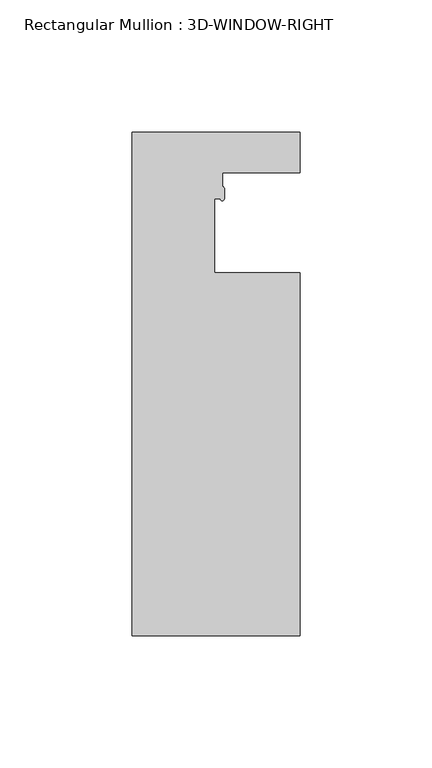
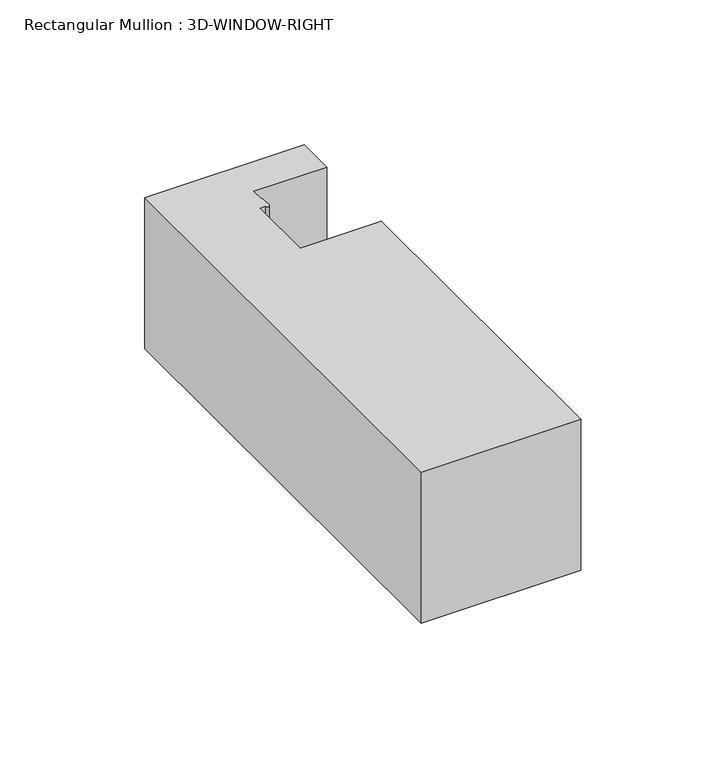
"""IFC4 building model written with IfcOpenShell, lengths in millimetres: member geometry, Rectangular Mullion : 3D-WINDOW-RIGHT."""

import ifcopenshell
import ifcopenshell.guid

model = None  # the IFC model being written
_history = None  # IfcOwnerHistory: only IFC2X3 demands one
_inside = {}  # id of a spatial element -> (the spatial element, [elements in it])
_under = {}  # id of a project, library or spatial element -> (it, [spatial elements below it])
_declared = {}  # id of a project -> (the project, [libraries it declares])
_typed = {}  # id of a type object -> (the type object, [elements of that type])
_made_of = {}  # id of a material, layer set ... -> (it, [elements and type objects made of it])


def new_model(schema):
    """Start an empty IFC model of exactly this schema.

    Asked for "IFC4X3", IfcOpenShell would pick the latest addendum, in which some entities
    have other attributes; the version numbers below select the first issue.
    IFC2X3 requires an IfcOwnerHistory on every rooted entity: one is made here for all.
    """
    global model, _history
    if schema == "IFC4X3":
        model = ifcopenshell.file(schema_version=(4, 3, 0, 0))
    else:
        model = ifcopenshell.file(schema=schema)
    _inside.clear()
    _under.clear()
    _declared.clear()
    _typed.clear()
    _made_of.clear()
    _history = None
    if model.schema == "IFC2X3":
        org = make("IfcOrganization", Name="unknown")
        user = make(
            "IfcPersonAndOrganization",
            ThePerson=make("IfcPerson", FamilyName="unknown"),
            TheOrganization=org,
        )
        app = make(
            "IfcApplication",
            ApplicationDeveloper=org,
            Version="unknown",
            ApplicationFullName="unknown",
            ApplicationIdentifier="unknown",
        )
        _history = make(
            "IfcOwnerHistory",
            OwningUser=user,
            OwningApplication=app,
            ChangeAction="ADDED",
            CreationDate=0,
        )
    return model


def make(cls, **values):
    """One entity of the class cls with the attributes given. An attribute that is None is left unset."""
    return model.create_entity(
        cls, **{name: value for name, value in values.items() if value is not None}
    )


def rooted(cls, **values):
    """An entity with a GlobalId (a new one), such as an element, a storey or a relation."""
    return make(cls, GlobalId=ifcopenshell.guid.new(), OwnerHistory=_history, **values)


def si_unit(unit_type, name, prefix=None):
    """IfcSIUnit, for example si_unit("LENGTHUNIT", "METRE", prefix="MILLI")."""
    return make("IfcSIUnit", UnitType=unit_type, Prefix=prefix, Name=name)


def assignment(units):
    """IfcUnitAssignment: the units of a project."""
    return None if units is None else make("IfcUnitAssignment", Units=units)


def point(xyz):
    """IfcCartesianPoint."""
    return None if xyz is None else make("IfcCartesianPoint", Coordinates=xyz)


def direction(xyz):
    """IfcDirection."""
    return None if xyz is None else make("IfcDirection", DirectionRatios=xyz)


def frame(location, z_axis=None, x_axis=None):
    """IfcAxis2Placement3D, a coordinate frame: its origin and axes. An axis left out is left unset."""
    return make(
        "IfcAxis2Placement3D",
        Location=point(location),
        Axis=direction(z_axis),
        RefDirection=direction(x_axis),
    )


def frame_2d(location, x_axis=None):
    """IfcAxis2Placement2D, a coordinate frame in the plane: its origin and x axis."""
    return make(
        "IfcAxis2Placement2D", Location=point(location), RefDirection=direction(x_axis)
    )


def origin():
    """The frame at (0, 0, 0) with its axes left unset."""
    return frame((0.0, 0.0, 0.0))


def place(relative_to, where):
    """IfcLocalPlacement: puts the frame where relative to a parent placement (None: the world)."""
    return make(
        "IfcLocalPlacement", PlacementRelTo=relative_to, RelativePlacement=where
    )


def context(
    kind, dimensions, precision=None, world=None, true_north=None, identifier=None
):
    """IfcGeometricRepresentationContext, for example the 3D "Model" context."""
    return make(
        "IfcGeometricRepresentationContext",
        ContextIdentifier=identifier,
        ContextType=kind,
        CoordinateSpaceDimension=dimensions,
        Precision=precision,
        WorldCoordinateSystem=world,
        TrueNorth=true_north,
    )


def project(units=None, contexts=None):
    """IfcProject with its units and contexts."""
    return rooted(
        "IfcProject",
        Name="project",
        RepresentationContexts=contexts,
        UnitsInContext=assignment(units),
    )


def spatial(cls, under=None, at=None, **own):
    """A site, building, storey or space (cls), placed at a placement, below another one or the project."""
    s = rooted(cls, ObjectPlacement=at, **own)
    if under is not None:
        _under.setdefault(under.id(), (under, []))[1].append(s)
    return s


def polyline(points):
    """IfcPolyline through the points."""
    return make("IfcPolyline", Points=[point(p) for p in points])


def circle_curve(where, radius):
    """IfcCircle in the frame where."""
    return make("IfcCircle", Position=where, Radius=radius)


def trimmed(basis, trim1, trim2, sense, master):
    """IfcTrimmedCurve: the piece of a basis curve between two trims."""
    return make(
        "IfcTrimmedCurve",
        BasisCurve=basis,
        Trim1=trim1,
        Trim2=trim2,
        SenseAgreement=sense,
        MasterRepresentation=master,
    )


def segment(curve, same_sense, transition):
    """IfcCompositeCurveSegment."""
    return make(
        "IfcCompositeCurveSegment",
        Transition=transition,
        SameSense=same_sense,
        ParentCurve=curve,
    )


def composite_curve(segments, self_intersect=None):
    """IfcCompositeCurve: segments joined end to end."""
    return make("IfcCompositeCurve", Segments=segments, SelfIntersect=self_intersect)


def outline(outer, holes=None, kind="AREA"):
    """IfcArbitraryClosedProfileDef: a profile drawn as a closed curve; with holes, ...WithVoids."""
    if holes is None:
        return make("IfcArbitraryClosedProfileDef", ProfileType=kind, OuterCurve=outer)
    return make(
        "IfcArbitraryProfileDefWithVoids",
        ProfileType=kind,
        OuterCurve=outer,
        InnerCurves=holes,
    )


def extrude(swept, where, along, depth):
    """IfcExtrudedAreaSolid: the profile swept, set in the frame where, extruded along a direction by depth."""
    return make(
        "IfcExtrudedAreaSolid",
        SweptArea=swept,
        Position=where,
        ExtrudedDirection=direction(along),
        Depth=depth,
    )


def shape(context_of_items, identifier, shape_type, items):
    """IfcShapeRepresentation: the items that make up one representation, for example the "Body"."""
    return make(
        "IfcShapeRepresentation",
        ContextOfItems=context_of_items,
        RepresentationIdentifier=identifier,
        RepresentationType=shape_type,
        Items=items,
    )


def source(mapping_origin, context_of_items, identifier, shape_type, items):
    """IfcRepresentationMap: a shape defined once, which mapped items show again and again."""
    return make(
        "IfcRepresentationMap",
        MappingOrigin=mapping_origin,
        MappedRepresentation=shape(context_of_items, identifier, shape_type, items),
    )


def transform(
    local_origin,
    x_axis=None,
    y_axis=None,
    z_axis=None,
    scale=None,
    scale2=None,
    scale3=None,
    uniform=True,
):
    """IfcCartesianTransformationOperator3D, or its non-uniform kind. x_axis, y_axis, z_axis: its Axis1, 2, 3."""
    if uniform:
        return make(
            "IfcCartesianTransformationOperator3D",
            Axis1=direction(x_axis),
            Axis2=direction(y_axis),
            LocalOrigin=point(local_origin),
            Scale=scale,
            Axis3=direction(z_axis),
        )
    return make(
        "IfcCartesianTransformationOperator3DnonUniform",
        Axis1=direction(x_axis),
        Axis2=direction(y_axis),
        LocalOrigin=point(local_origin),
        Scale=scale,
        Axis3=direction(z_axis),
        Scale2=scale2,
        Scale3=scale3,
    )


def mapped(mapping_source, mapping_target):
    """IfcMappedItem: shows the shape of a source again, moved by a transform."""
    return make(
        "IfcMappedItem", MappingSource=mapping_source, MappingTarget=mapping_target
    )


def made_of(thing, what):
    """Note that an element or type object is made of a material, layer set ...; save() writes the relation."""
    if what is not None:
        _made_of.setdefault(what.id(), (what, []))[1].append(thing)
    return thing


def element(
    cls,
    number,
    at=None,
    inside=None,
    cuts=None,
    type_object=None,
    material=None,
    context=None,
    identifier="Body",
    shape_type=None,
    held_by="IfcProductDefinitionShape",
    body=None,
    shapes=None,
    **own,
):
    """One element of the class cls, such as IfcWall. Its Tag is "e" and its number.

    at: its placement. inside: the storey or other place that contains it. cuts: it is an
    opening in that element (IfcRelVoidsElement). A single representation is given by context,
    identifier, shape_type and body (its items); several are given by shapes. held_by: the class
    of the entity that holds the representations. save() writes the other relations.
    """
    e = rooted(cls, Tag="e%d" % number, ObjectPlacement=at, **own)
    if body is not None:
        shapes = [shape(context, identifier, shape_type, body)]
    if shapes is not None:
        e.Representation = make(held_by, Representations=shapes)
    if inside is not None:
        _inside.setdefault(inside.id(), (inside, []))[1].append(e)
    if cuts is not None:
        rooted(
            "IfcRelVoidsElement", RelatingBuildingElement=cuts, RelatedOpeningElement=e
        )
    if type_object is not None:
        _typed.setdefault(type_object.id(), (type_object, []))[1].append(e)
    return made_of(e, material)


def aggregate(whole, parts):
    """IfcRelAggregates: a whole, such as a stair, and the parts it consists of."""
    return rooted("IfcRelAggregates", RelatingObject=whole, RelatedObjects=parts)


def save(model, path):
    """Write the relations noted so far, then the file.

    IfcRelAggregates (storeys below a building ...), IfcRelContainedInSpatialStructure (elements
    in a storey), IfcRelDefinesByType, IfcRelAssociatesMaterial and IfcRelDeclares: one each for
    every whole, place, type object, material and project.
    """
    for whole, parts in _under.values():
        aggregate(whole, parts)
    for where, things in _inside.values():
        rooted(
            "IfcRelContainedInSpatialStructure",
            RelatedElements=things,
            RelatingStructure=where,
        )
    for kind, things in _typed.values():
        rooted("IfcRelDefinesByType", RelatedObjects=things, RelatingType=kind)
    for what, things in _made_of.values():
        rooted("IfcRelAssociatesMaterial", RelatedObjects=things, RelatingMaterial=what)
    for by, libraries in _declared.values():
        rooted("IfcRelDeclares", RelatingContext=by, RelatedDefinitions=libraries)
    model.write(path)


def rectangular_mullion_3d_window_right_54e8de69(model_context):
    return source(origin(), model_context, "Body", "SweptSolid", [
        extrude(outline(composite_curve([segment(polyline([(-31.75, -93.2656225), (-31.75, 97.2343725), (31.75, 97.2343725), (31.75, 81.8673727), (2.5873461, 81.8673727), (2.5873461, 76.6268546)]), True, "CONTINUOUS"), segment(trimmed(circle_curve(frame_2d((2.3873541, 75.852289)), 0.7999679), [point((2.5873461, 76.6268546))], [point((3.187322, 75.852289))], False, "CARTESIAN"), True, "CONTINUOUS"), segment(polyline([(3.187322, 75.852289), (3.187322, 72.0770371)]), True, "CONTINUOUS"), segment(trimmed(circle_curve(frame_2d((2.4373521, 72.0770371)), 0.7499699), [point((3.187322, 72.0770371))], [point((1.6873822, 72.0770371))], False, "CARTESIAN"), True, "CONTINUOUS"), segment(polyline([(1.6873822, 72.0770371), (-0.5125296, 72.0770371), (-0.5125296, 44.1483725), (31.75, 44.1483725), (31.75, -93.2656225), (-31.75, -93.2656225)]), True, "CONTINUOUS")], self_intersect=False)), frame((0.0, 0.0, -63.5), z_axis=(0.0, 0.0, 1.0), x_axis=(1.0, 0.0, 0.0)), (0.0, 0.0, 1.0), 63.5),
    ])


if __name__ == "__main__":
    model = new_model("IFC4")
    model_context = context("Model", 3, world=origin())
    ifc_project = project(units=[si_unit("LENGTHUNIT", "METRE", prefix="MILLI")], contexts=[model_context])
    site = spatial("IfcSite", under=ifc_project)
    building = spatial("IfcBuilding", under=site)
    placement = place(None, origin())
    rectangular_mullion_3d_window_right_shape = rectangular_mullion_3d_window_right_54e8de69(model_context)
    element("IfcMember", 1, ObjectType="Rectangular Mullion : 3D-WINDOW-RIGHT", at=placement, inside=building, context=model_context, shape_type="MappedRepresentation", body=[
        mapped(rectangular_mullion_3d_window_right_shape, transform((0.0, 0.0, 0.0), x_axis=(1.0, 0.0, 0.0), y_axis=(0.0, 1.0, 0.0), z_axis=(0.0, 0.0, 1.0))),
    ])
    save(model, "model.ifc")
